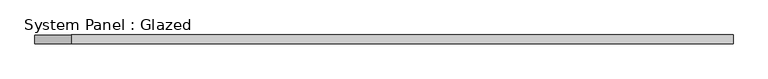
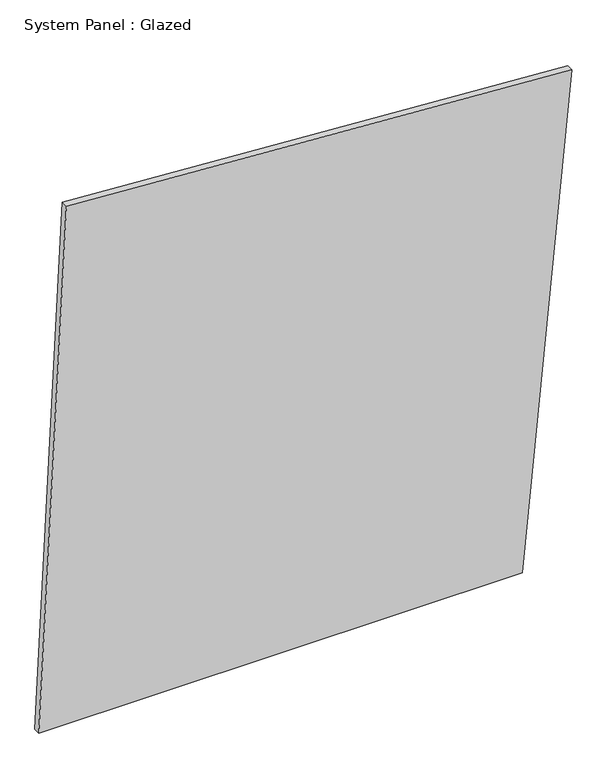
"""IFC4 building model written with IfcOpenShell, lengths in millimetres: plate geometry, System Panel : Glazed."""

from ifc_helpers import new_model, si_unit, frame, origin, place, context, project, spatial, polyline, outline, extrude, source, transform, mapped, element, save


def system_panel_glazed_d323f7e4(model_context):
    return source(origin(), model_context, "Body", "SweptSolid", [
        extrude(outline(polyline([(0.0, -999.1064582), (0.0, 813.7155668), (1929.9025667, 999.1064582), (2052.9440767, -895.6759848), (0.0, -999.1064582)])), frame((0.0, 24.5, 0.0), z_axis=(0.0, 1.0, 0.0), x_axis=(0.0, 0.0, 1.0)), (0.0, 0.0, 1.0), 25.0),
    ])


if __name__ == "__main__":
    model = new_model("IFC4")
    model_context = context("Model", 3, world=origin())
    ifc_project = project(units=[si_unit("LENGTHUNIT", "METRE", prefix="MILLI")], contexts=[model_context])
    site = spatial("IfcSite", under=ifc_project)
    building = spatial("IfcBuilding", under=site)
    placement = place(None, origin())
    system_panel_glazed_shape = system_panel_glazed_d323f7e4(model_context)
    element("IfcPlate", 1, ObjectType="System Panel : Glazed", at=placement, inside=building, context=model_context, shape_type="MappedRepresentation", body=[
        mapped(system_panel_glazed_shape, transform((0.0, 0.0, 0.0), x_axis=(1.0, 0.0, 0.0), y_axis=(0.0, 1.0, 0.0), z_axis=(0.0, 0.0, 1.0))),
    ])
    save(model, "model.ifc")
